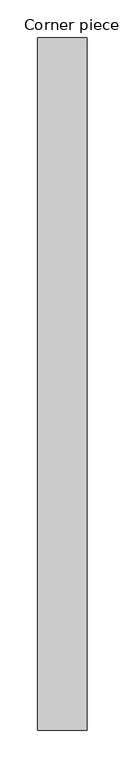
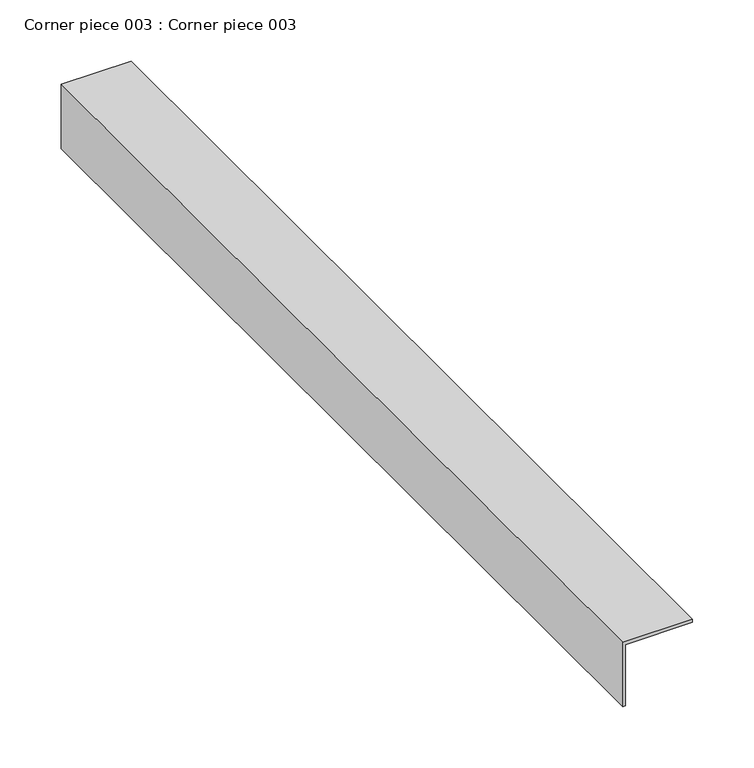
"""IFC4 building model written with IfcOpenShell, lengths in millimetres: proxy geometry, Corner piece 003 : Corner piece 003."""

from ifc_helpers import new_model, si_unit, frame, origin, place, context, project, spatial, polyline, outline, extrude, source, transform, mapped, element, save


def corner_piece_003_corner_piece_003_51acf289(model_context):
    return source(origin(), model_context, "Body", "SweptSolid", [
        extrude(outline(polyline([(1324.3449344, 37320.5421105), (1324.3449344, 37255.0342981), (1260.6061763, 37255.0342981), (1260.6061763, 37257.6065637), (1321.3713379, 37257.6065637), (1321.3713379, 37320.5421105), (1324.3449344, 37320.5421105)])), frame((0.0, -19576.8264268, 0.0), z_axis=(0.0, 1.0, 0.0), x_axis=(0.0, 0.0, 1.0)), (0.0, 0.0, 1.0), 914.4),
    ])


if __name__ == "__main__":
    model = new_model("IFC4")
    model_context = context("Model", 3, world=origin())
    ifc_project = project(units=[si_unit("LENGTHUNIT", "METRE", prefix="MILLI")], contexts=[model_context])
    site = spatial("IfcSite", under=ifc_project)
    building = spatial("IfcBuilding", under=site)
    placement = place(None, origin())
    corner_piece_003_corner_piece_003_shape = corner_piece_003_corner_piece_003_51acf289(model_context)
    element("IfcBuildingElementProxy", 1, Name="Corner piece 003 : Corner piece 003", ObjectType="Corner piece 003 : Corner piece 003", at=placement, inside=building, context=model_context, shape_type="MappedRepresentation", body=[
        mapped(corner_piece_003_corner_piece_003_shape, transform((0.0, 0.0, 0.0), x_axis=(1.0, 0.0, 0.0), y_axis=(0.0, 1.0, 0.0), z_axis=(0.0, 0.0, 1.0))),
    ])
    save(model, "model.ifc")
